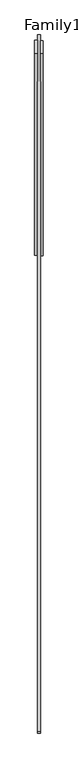
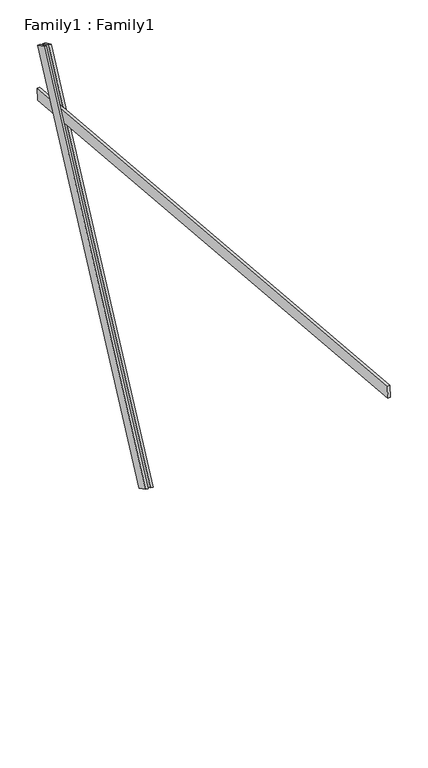
"""IFC4 building model written with IfcOpenShell, lengths in millimetres: proxy geometry, Family1 : Family1."""

from ifc_helpers import new_model, si_unit, frame, origin, place, context, project, spatial, polyline, outline, extrude, source, transform, mapped, element, save


def family1_family1_0db5850d(model_context):
    return source(origin(), model_context, "Body", "SweptSolid", [
        extrude(outline(polyline([(0.0, 0.0), (0.0, -20.0), (-100.0000001, -20.0), (-100.0000001, 0.0), (0.0, 0.0)])), frame((-30.0, 46.3241747, -22.5938096), z_axis=(0.0, 0.4383711467890692, 0.8987940462991711), x_axis=(0.0, 0.8987940462991711, -0.4383711467890692)), (0.0, 0.0, 1.0), 3300.0),
        extrude(outline(polyline([(0.0, 0.0), (0.0, -20.0), (-99.9999999, -20.0), (-99.9999999, 0.0), (0.0, 0.0)])), frame((10.0, 45.270232, -22.0797674), z_axis=(0.0, 0.4383711467890692, 0.8987940462991711), x_axis=(0.0, 0.8987940462991711, -0.4383711467890692)), (0.0, 0.0, 1.0), 3300.0),
        extrude(outline(polyline([(0.0, -20.0), (0.0, 0.0), (4999.9999999, 0.0), (4999.9999999, -20.0), (0.0, -20.0)])), frame((-10.0, -3457.3027233, 2876.2941486), z_axis=(0.0, 0.08715574274766064, 0.9961946980917454), x_axis=(0.0, 0.9961946980917454, -0.08715574274766064)), (0.0, 0.0, 1.0), 100.0),
    ])


if __name__ == "__main__":
    model = new_model("IFC4")
    model_context = context("Model", 3, world=origin())
    ifc_project = project(units=[si_unit("LENGTHUNIT", "METRE", prefix="MILLI")], contexts=[model_context])
    site = spatial("IfcSite", under=ifc_project)
    building = spatial("IfcBuilding", under=site)
    placement = place(None, origin())
    family1_family1_shape = family1_family1_0db5850d(model_context)
    element("IfcBuildingElementProxy", 1, Name="Family1 : Family1", ObjectType="Family1 : Family1", at=placement, inside=building, context=model_context, shape_type="MappedRepresentation", body=[
        mapped(family1_family1_shape, transform((0.0, 0.0, 0.0), x_axis=(1.0, 0.0, 0.0), y_axis=(0.0, 1.0, 0.0), z_axis=(0.0, 0.0, 1.0))),
    ])
    save(model, "model.ifc")
